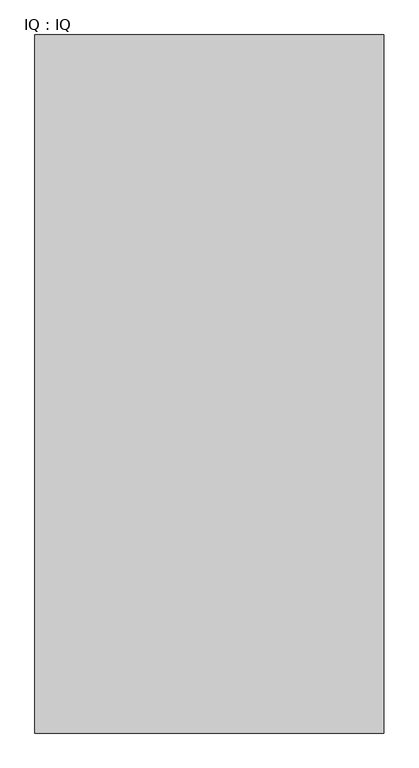
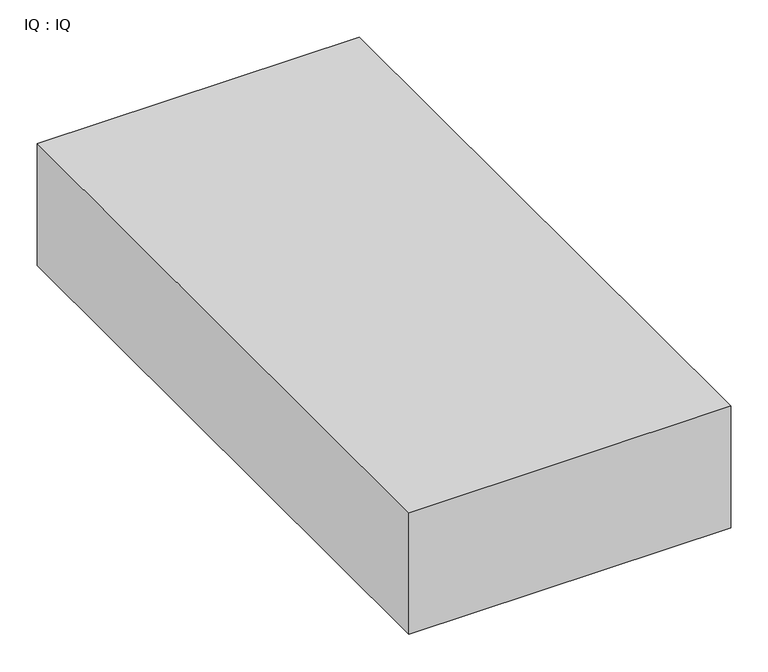
"""IFC4 building model written with IfcOpenShell, lengths in millimetres: proxy geometry, IQ : IQ."""

from ifc_helpers import new_model, si_unit, frame, origin, place, context, project, spatial, polyline, outline, extrude, source, transform, mapped, element, save


def iq_iq_7cfd7890(model_context):
    return source(origin(), model_context, "Body", "SweptSolid", [
        extrude(outline(polyline([(500.0, 1000.0), (500.0, 0.0), (0.0, 0.0), (0.0, 1000.0), (500.0, 1000.0)])), frame((0.0, 0.0, 500.0), z_axis=(0.0, 0.0, 1.0), x_axis=(1.0, 0.0, 0.0)), (0.0, 0.0, 1.0), 200.0),
    ])


if __name__ == "__main__":
    model = new_model("IFC4")
    model_context = context("Model", 3, world=origin())
    ifc_project = project(units=[si_unit("LENGTHUNIT", "METRE", prefix="MILLI")], contexts=[model_context])
    site = spatial("IfcSite", under=ifc_project)
    building = spatial("IfcBuilding", under=site)
    placement = place(None, origin())
    iq_iq_shape = iq_iq_7cfd7890(model_context)
    element("IfcBuildingElementProxy", 1, Name="IQ : IQ", ObjectType="IQ : IQ", at=placement, inside=building, context=model_context, shape_type="MappedRepresentation", body=[
        mapped(iq_iq_shape, transform((0.0, 0.0, 0.0), x_axis=(1.0, 0.0, 0.0), y_axis=(0.0, 1.0, 0.0), z_axis=(0.0, 0.0, 1.0))),
    ])
    save(model, "model.ifc")
